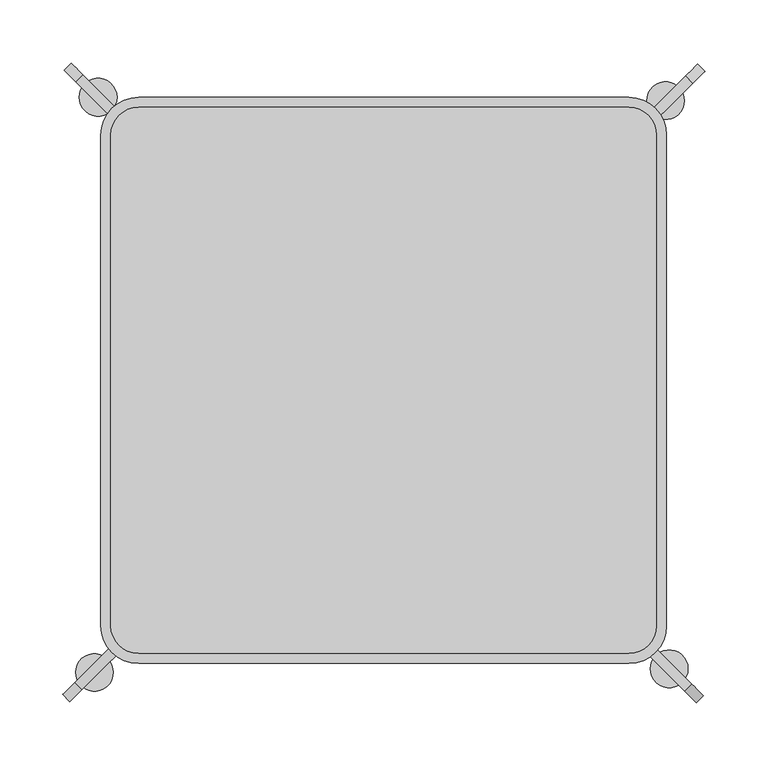
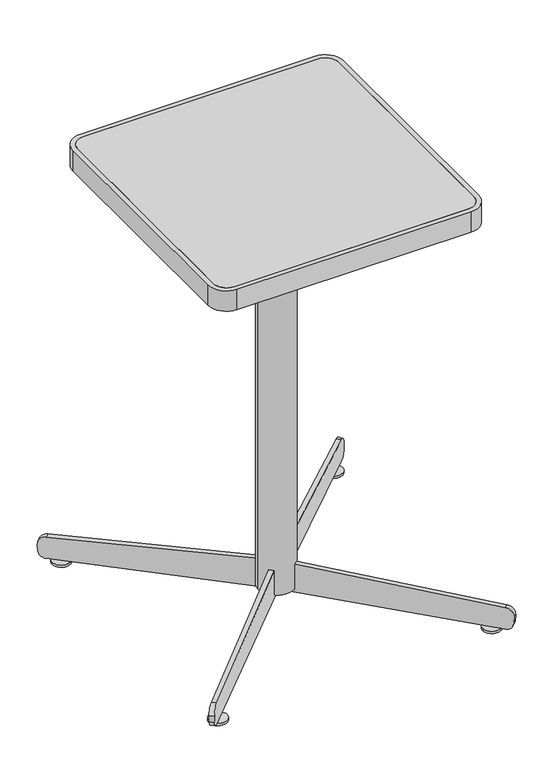
"""IFC4 building model written with IfcOpenShell, lengths in millimetres: furniture geometry."""

import ifcopenshell
import ifcopenshell.guid

model = None  # the IFC model being written
_history = None  # IfcOwnerHistory: only IFC2X3 demands one
_inside = {}  # id of a spatial element -> (the spatial element, [elements in it])
_under = {}  # id of a project, library or spatial element -> (it, [spatial elements below it])
_declared = {}  # id of a project -> (the project, [libraries it declares])
_typed = {}  # id of a type object -> (the type object, [elements of that type])
_made_of = {}  # id of a material, layer set ... -> (it, [elements and type objects made of it])


def new_model(schema):
    """Start an empty IFC model of exactly this schema.

    Asked for "IFC4X3", IfcOpenShell would pick the latest addendum, in which some entities
    have other attributes; the version numbers below select the first issue.
    IFC2X3 requires an IfcOwnerHistory on every rooted entity: one is made here for all.
    """
    global model, _history
    if schema == "IFC4X3":
        model = ifcopenshell.file(schema_version=(4, 3, 0, 0))
    else:
        model = ifcopenshell.file(schema=schema)
    _inside.clear()
    _under.clear()
    _declared.clear()
    _typed.clear()
    _made_of.clear()
    _history = None
    if model.schema == "IFC2X3":
        org = make("IfcOrganization", Name="unknown")
        user = make(
            "IfcPersonAndOrganization",
            ThePerson=make("IfcPerson", FamilyName="unknown"),
            TheOrganization=org,
        )
        app = make(
            "IfcApplication",
            ApplicationDeveloper=org,
            Version="unknown",
            ApplicationFullName="unknown",
            ApplicationIdentifier="unknown",
        )
        _history = make(
            "IfcOwnerHistory",
            OwningUser=user,
            OwningApplication=app,
            ChangeAction="ADDED",
            CreationDate=0,
        )
    return model


def make(cls, **values):
    """One entity of the class cls with the attributes given. An attribute that is None is left unset."""
    return model.create_entity(
        cls, **{name: value for name, value in values.items() if value is not None}
    )


def rooted(cls, **values):
    """An entity with a GlobalId (a new one), such as an element, a storey or a relation."""
    return make(cls, GlobalId=ifcopenshell.guid.new(), OwnerHistory=_history, **values)


def si_unit(unit_type, name, prefix=None):
    """IfcSIUnit, for example si_unit("LENGTHUNIT", "METRE", prefix="MILLI")."""
    return make("IfcSIUnit", UnitType=unit_type, Prefix=prefix, Name=name)


def assignment(units):
    """IfcUnitAssignment: the units of a project."""
    return None if units is None else make("IfcUnitAssignment", Units=units)


def point(xyz):
    """IfcCartesianPoint."""
    return None if xyz is None else make("IfcCartesianPoint", Coordinates=xyz)


def direction(xyz):
    """IfcDirection."""
    return None if xyz is None else make("IfcDirection", DirectionRatios=xyz)


def frame(location, z_axis=None, x_axis=None):
    """IfcAxis2Placement3D, a coordinate frame: its origin and axes. An axis left out is left unset."""
    return make(
        "IfcAxis2Placement3D",
        Location=point(location),
        Axis=direction(z_axis),
        RefDirection=direction(x_axis),
    )


def frame_2d(location, x_axis=None):
    """IfcAxis2Placement2D, a coordinate frame in the plane: its origin and x axis."""
    return make(
        "IfcAxis2Placement2D", Location=point(location), RefDirection=direction(x_axis)
    )


def origin():
    """The frame at (0, 0, 0) with its axes left unset."""
    return frame((0.0, 0.0, 0.0))


def origin_with_axes():
    """The frame at (0, 0, 0) with the z axis (0, 0, 1) and the x axis (1, 0, 0) written out."""
    return frame((0.0, 0.0, 0.0), z_axis=(0.0, 0.0, 1.0), x_axis=(1.0, 0.0, 0.0))


def place(relative_to, where):
    """IfcLocalPlacement: puts the frame where relative to a parent placement (None: the world)."""
    return make(
        "IfcLocalPlacement", PlacementRelTo=relative_to, RelativePlacement=where
    )


def context(
    kind, dimensions, precision=None, world=None, true_north=None, identifier=None
):
    """IfcGeometricRepresentationContext, for example the 3D "Model" context."""
    return make(
        "IfcGeometricRepresentationContext",
        ContextIdentifier=identifier,
        ContextType=kind,
        CoordinateSpaceDimension=dimensions,
        Precision=precision,
        WorldCoordinateSystem=world,
        TrueNorth=true_north,
    )


def project(units=None, contexts=None):
    """IfcProject with its units and contexts."""
    return rooted(
        "IfcProject",
        Name="project",
        RepresentationContexts=contexts,
        UnitsInContext=assignment(units),
    )


def spatial(cls, under=None, at=None, **own):
    """A site, building, storey or space (cls), placed at a placement, below another one or the project."""
    s = rooted(cls, ObjectPlacement=at, **own)
    if under is not None:
        _under.setdefault(under.id(), (under, []))[1].append(s)
    return s


def polyline(points):
    """IfcPolyline through the points."""
    return make("IfcPolyline", Points=[point(p) for p in points])


def circle_curve(where, radius):
    """IfcCircle in the frame where."""
    return make("IfcCircle", Position=where, Radius=radius)


def trimmed(basis, trim1, trim2, sense, master):
    """IfcTrimmedCurve: the piece of a basis curve between two trims."""
    return make(
        "IfcTrimmedCurve",
        BasisCurve=basis,
        Trim1=trim1,
        Trim2=trim2,
        SenseAgreement=sense,
        MasterRepresentation=master,
    )


def segment(curve, same_sense, transition):
    """IfcCompositeCurveSegment."""
    return make(
        "IfcCompositeCurveSegment",
        Transition=transition,
        SameSense=same_sense,
        ParentCurve=curve,
    )


def composite_curve(segments, self_intersect=None):
    """IfcCompositeCurve: segments joined end to end."""
    return make("IfcCompositeCurve", Segments=segments, SelfIntersect=self_intersect)


def outline(outer, holes=None, kind="AREA"):
    """IfcArbitraryClosedProfileDef: a profile drawn as a closed curve; with holes, ...WithVoids."""
    if holes is None:
        return make("IfcArbitraryClosedProfileDef", ProfileType=kind, OuterCurve=outer)
    return make(
        "IfcArbitraryProfileDefWithVoids",
        ProfileType=kind,
        OuterCurve=outer,
        InnerCurves=holes,
    )


def extrude(swept, where, along, depth):
    """IfcExtrudedAreaSolid: the profile swept, set in the frame where, extruded along a direction by depth."""
    return make(
        "IfcExtrudedAreaSolid",
        SweptArea=swept,
        Position=where,
        ExtrudedDirection=direction(along),
        Depth=depth,
    )


def shape(context_of_items, identifier, shape_type, items):
    """IfcShapeRepresentation: the items that make up one representation, for example the "Body"."""
    return make(
        "IfcShapeRepresentation",
        ContextOfItems=context_of_items,
        RepresentationIdentifier=identifier,
        RepresentationType=shape_type,
        Items=items,
    )


def source(mapping_origin, context_of_items, identifier, shape_type, items):
    """IfcRepresentationMap: a shape defined once, which mapped items show again and again."""
    return make(
        "IfcRepresentationMap",
        MappingOrigin=mapping_origin,
        MappedRepresentation=shape(context_of_items, identifier, shape_type, items),
    )


def transform(
    local_origin,
    x_axis=None,
    y_axis=None,
    z_axis=None,
    scale=None,
    scale2=None,
    scale3=None,
    uniform=True,
):
    """IfcCartesianTransformationOperator3D, or its non-uniform kind. x_axis, y_axis, z_axis: its Axis1, 2, 3."""
    if uniform:
        return make(
            "IfcCartesianTransformationOperator3D",
            Axis1=direction(x_axis),
            Axis2=direction(y_axis),
            LocalOrigin=point(local_origin),
            Scale=scale,
            Axis3=direction(z_axis),
        )
    return make(
        "IfcCartesianTransformationOperator3DnonUniform",
        Axis1=direction(x_axis),
        Axis2=direction(y_axis),
        LocalOrigin=point(local_origin),
        Scale=scale,
        Axis3=direction(z_axis),
        Scale2=scale2,
        Scale3=scale3,
    )


def mapped(mapping_source, mapping_target):
    """IfcMappedItem: shows the shape of a source again, moved by a transform."""
    return make(
        "IfcMappedItem", MappingSource=mapping_source, MappingTarget=mapping_target
    )


def made_of(thing, what):
    """Note that an element or type object is made of a material, layer set ...; save() writes the relation."""
    if what is not None:
        _made_of.setdefault(what.id(), (what, []))[1].append(thing)
    return thing


def element(
    cls,
    number,
    at=None,
    inside=None,
    cuts=None,
    type_object=None,
    material=None,
    context=None,
    identifier="Body",
    shape_type=None,
    held_by="IfcProductDefinitionShape",
    body=None,
    shapes=None,
    **own,
):
    """One element of the class cls, such as IfcWall. Its Tag is "e" and its number.

    at: its placement. inside: the storey or other place that contains it. cuts: it is an
    opening in that element (IfcRelVoidsElement). A single representation is given by context,
    identifier, shape_type and body (its items); several are given by shapes. held_by: the class
    of the entity that holds the representations. save() writes the other relations.
    """
    e = rooted(cls, Tag="e%d" % number, ObjectPlacement=at, **own)
    if body is not None:
        shapes = [shape(context, identifier, shape_type, body)]
    if shapes is not None:
        e.Representation = make(held_by, Representations=shapes)
    if inside is not None:
        _inside.setdefault(inside.id(), (inside, []))[1].append(e)
    if cuts is not None:
        rooted(
            "IfcRelVoidsElement", RelatingBuildingElement=cuts, RelatedOpeningElement=e
        )
    if type_object is not None:
        _typed.setdefault(type_object.id(), (type_object, []))[1].append(e)
    return made_of(e, material)


def aggregate(whole, parts):
    """IfcRelAggregates: a whole, such as a stair, and the parts it consists of."""
    return rooted("IfcRelAggregates", RelatingObject=whole, RelatedObjects=parts)


def save(model, path):
    """Write the relations noted so far, then the file.

    IfcRelAggregates (storeys below a building ...), IfcRelContainedInSpatialStructure (elements
    in a storey), IfcRelDefinesByType, IfcRelAssociatesMaterial and IfcRelDeclares: one each for
    every whole, place, type object, material and project.
    """
    for whole, parts in _under.values():
        aggregate(whole, parts)
    for where, things in _inside.values():
        rooted(
            "IfcRelContainedInSpatialStructure",
            RelatedElements=things,
            RelatingStructure=where,
        )
    for kind, things in _typed.values():
        rooted("IfcRelDefinesByType", RelatedObjects=things, RelatingType=kind)
    for what, things in _made_of.values():
        rooted("IfcRelAssociatesMaterial", RelatedObjects=things, RelatingMaterial=what)
    for by, libraries in _declared.values():
        rooted("IfcRelDeclares", RelatingContext=by, RelatedDefinitions=libraries)
    model.write(path)


def furniture_9334c7c8(model_context):
    return source(origin(), model_context, "Body", "SweptSolid", [
        extrude(outline(composite_curve([segment(trimmed(circle_curve(frame_2d((-195.0, 195.0)), 22.0), [point((-217.0, 195.0))], [point((-195.0, 217.0))], False, "CARTESIAN"), True, "CONTINUOUS"), segment(polyline([(-195.0, 217.0), (195.0, 217.0)]), True, "CONTINUOUS"), segment(trimmed(circle_curve(frame_2d((195.0, 195.0)), 22.0), [point((195.0, 217.0))], [point((217.0, 195.0))], False, "CARTESIAN"), True, "CONTINUOUS"), segment(polyline([(217.0, 195.0), (217.0, -195.0)]), True, "CONTINUOUS"), segment(trimmed(circle_curve(frame_2d((195.0, -195.0)), 22.0), [point((217.0, -195.0))], [point((195.0, -217.0))], False, "CARTESIAN"), True, "CONTINUOUS"), segment(polyline([(195.0, -217.0), (-195.0, -217.0)]), True, "CONTINUOUS"), segment(trimmed(circle_curve(frame_2d((-195.0, -195.0)), 22.0), [point((-195.0, -217.0))], [point((-217.0, -195.0))], False, "CARTESIAN"), True, "CONTINUOUS"), segment(polyline([(-217.0, -195.0), (-217.0, 195.0)]), True, "CONTINUOUS")], self_intersect=False)), frame((0.0, 0.0, 737.0), z_axis=(0.0, 0.0, 1.0), x_axis=(1.0, 0.0, 0.0)), (0.0, 0.0, 1.0), 3.0),
        extrude(outline(polyline([(-217.0, 55.0), (217.0, 55.0), (217.0, -55.0), (-217.0, -55.0), (-217.0, 55.0)])), frame((0.0, 0.0, 712.0), z_axis=(0.0, 0.0, 1.0), x_axis=(1.0, 0.0, 0.0)), (0.0, 0.0, 1.0), 8.0),
        extrude(outline(composite_curve([segment(polyline([(-225.0, -195.0), (-225.0, 195.0)]), True, "CONTINUOUS"), segment(trimmed(circle_curve(frame_2d((-195.0, 195.0)), 30.0), [point((-225.0, 195.0))], [point((-195.0, 225.0))], False, "CARTESIAN"), True, "CONTINUOUS"), segment(polyline([(-195.0, 225.0), (195.0, 225.0)]), True, "CONTINUOUS"), segment(trimmed(circle_curve(frame_2d((195.0, 195.0)), 30.0), [point((195.0, 225.0))], [point((225.0, 195.0))], False, "CARTESIAN"), True, "CONTINUOUS"), segment(polyline([(225.0, 195.0), (225.0, -195.0)]), True, "CONTINUOUS"), segment(trimmed(circle_curve(frame_2d((195.0, -195.0)), 30.0), [point((225.0, -195.0))], [point((195.0, -225.0))], False, "CARTESIAN"), True, "CONTINUOUS"), segment(polyline([(195.0, -225.0), (-195.0, -225.0)]), True, "CONTINUOUS"), segment(trimmed(circle_curve(frame_2d((-195.0, -195.0)), 30.0), [point((-195.0, -225.0))], [point((-225.0, -195.0))], False, "CARTESIAN"), True, "CONTINUOUS")], self_intersect=False), holes=[composite_curve([segment(polyline([(-217.0, 195.0), (-217.0, -195.0)]), True, "CONTINUOUS"), segment(trimmed(circle_curve(frame_2d((-195.0, -195.0)), 22.0), [point((-217.0, -195.0))], [point((-195.0, -217.0))], True, "CARTESIAN"), True, "CONTINUOUS"), segment(polyline([(-195.0, -217.0), (195.0, -217.0)]), True, "CONTINUOUS"), segment(trimmed(circle_curve(frame_2d((195.0, -195.0)), 22.0), [point((195.0, -217.0))], [point((217.0, -195.0))], True, "CARTESIAN"), True, "CONTINUOUS"), segment(polyline([(217.0, -195.0), (217.0, 195.0)]), True, "CONTINUOUS"), segment(trimmed(circle_curve(frame_2d((195.0, 195.0)), 22.0), [point((217.0, 195.0))], [point((195.0, 217.0))], True, "CARTESIAN"), True, "CONTINUOUS"), segment(polyline([(195.0, 217.0), (-195.0, 217.0)]), True, "CONTINUOUS"), segment(trimmed(circle_curve(frame_2d((-195.0, 195.0)), 22.0), [point((-195.0, 217.0))], [point((-217.0, 195.0))], True, "CARTESIAN"), True, "CONTINUOUS")], self_intersect=False)]), frame((0.0, 0.0, 704.0), z_axis=(0.0, 0.0, 1.0), x_axis=(1.0, 0.0, 0.0)), (0.0, 0.0, 1.0), 36.0),
        extrude(outline(composite_curve([segment(trimmed(circle_curve(frame_2d((-230.0247397, -232.0465142)), 15.0), [point((-245.0247397, -232.0465142))], [point((-215.0247397, -232.0465142))], False, "CARTESIAN"), True, "CONTINUOUS"), segment(trimmed(circle_curve(frame_2d((-230.0247397, -232.0465142)), 15.0), [point((-215.0247397, -232.0465142))], [point((-245.0247397, -232.0465142))], False, "CARTESIAN"), True, "CONTINUOUS")], self_intersect=False)), origin_with_axes(), (0.0, 0.0, 1.0), 4.0),
        extrude(outline(composite_curve([segment(trimmed(circle_curve(frame_2d((227.0933375, -229.1151121)), 15.0), [point((242.0933375, -229.1151121))], [point((212.0933375, -229.1151121))], False, "CARTESIAN"), True, "CONTINUOUS"), segment(trimmed(circle_curve(frame_2d((227.0933375, -229.1151121)), 15.0), [point((212.0933375, -229.1151121))], [point((242.0933375, -229.1151121))], False, "CARTESIAN"), True, "CONTINUOUS")], self_intersect=False)), origin_with_axes(), (0.0, 0.0, 1.0), 4.0),
        extrude(outline(composite_curve([segment(trimmed(circle_curve(frame_2d((-227.102909, 225.1953251)), 15.0), [point((-242.102909, 225.1953251))], [point((-212.102909, 225.1953251))], False, "CARTESIAN"), True, "CONTINUOUS"), segment(trimmed(circle_curve(frame_2d((-227.102909, 225.1953251)), 15.0), [point((-212.102909, 225.1953251))], [point((-242.102909, 225.1953251))], False, "CARTESIAN"), True, "CONTINUOUS")], self_intersect=False)), origin_with_axes(), (0.0, 0.0, 1.0), 4.0),
        extrude(outline(composite_curve([segment(trimmed(circle_curve(frame_2d((224.2722597, 222.4654286)), 15.0), [point((239.2722597, 222.4654286))], [point((209.2722597, 222.4654286))], False, "CARTESIAN"), True, "CONTINUOUS"), segment(trimmed(circle_curve(frame_2d((224.2722597, 222.4654286)), 15.0), [point((209.2722597, 222.4654286))], [point((239.2722597, 222.4654286))], False, "CARTESIAN"), True, "CONTINUOUS")], self_intersect=False)), origin_with_axes(), (0.0, 0.0, 1.0), 4.0),
        extrude(outline(composite_curve([segment(trimmed(circle_curve(frame_2d((1e-07, -14.0)), 14.0), [point((-14.0, -14.0))], [point((0.0, 0.0))], False, "CARTESIAN"), True, "CONTINUOUS"), segment(polyline([(0.0, 0.0), (11.6300482, -1e-07)]), True, "CONTINUOUS"), segment(trimmed(circle_curve(frame_2d((11.6300482, -12.0)), 12.0), [point((11.6300482, -1e-07))], [point((23.6063713, -11.2465512))], False, "CARTESIAN"), True, "CONTINUOUS"), segment(polyline([(23.6063713, -11.2465512), (36.1524959, -354.012277), (66.6631051, -695.6478295)]), True, "CONTINUOUS"), segment(trimmed(circle_curve(frame_2d((54.686782, -696.4012784)), 12.0), [point((66.6631051, -695.6478295))], [point((56.1907064, -708.3066641))], False, "CARTESIAN"), True, "CONTINUOUS"), segment(polyline([(56.1907064, -708.3066641), (44.6523556, -709.7642237)]), True, "CONTINUOUS"), segment(trimmed(circle_curve(frame_2d((42.8977771, -695.8746069)), 14.0), [point((44.6523556, -709.7642237))], [point((29.0081602, -697.6291855))], False, "CARTESIAN"), True, "CONTINUOUS"), segment(polyline([(29.0081602, -697.6291855), (-13.4977007, -361.1437549), (11.5113442, -359.5703975), (11.0090449, -351.5861821), (-14.0, -353.1595395), (-14.0, -14.0)]), True, "CONTINUOUS")], self_intersect=False)), frame((-249.5247876, -255.1891984, 26.8536524), z_axis=(-0.7043233319140294, 0.7098793165894609, 0.0), x_axis=(0.044571479462634185, 0.04422263360803813, -0.9980269244340462)), (0.0, 0.0, 1.0), 8.0),
        extrude(outline(composite_curve([segment(trimmed(circle_curve(frame_2d((1e-07, -14.0)), 14.0), [point((-14.0, -14.0))], [point((0.0, 0.0))], False, "CARTESIAN"), True, "CONTINUOUS"), segment(polyline([(0.0, 0.0), (11.6300482, 0.0)]), True, "CONTINUOUS"), segment(trimmed(circle_curve(frame_2d((11.6300482, -11.9999999)), 12.0), [point((11.6300482, 0.0))], [point((23.6063713, -11.2465511))], False, "CARTESIAN"), True, "CONTINUOUS"), segment(polyline([(23.6063713, -11.2465511), (36.1524959, -354.0122769), (66.6631051, -695.6478295)]), True, "CONTINUOUS"), segment(trimmed(circle_curve(frame_2d((54.686782, -696.4012783)), 12.0), [point((66.6631051, -695.6478295))], [point((56.1907064, -708.306664))], False, "CARTESIAN"), True, "CONTINUOUS"), segment(polyline([(56.1907064, -708.306664), (44.6523555, -709.7642236)]), True, "CONTINUOUS"), segment(trimmed(circle_curve(frame_2d((42.897777, -695.8746068)), 14.0), [point((44.6523555, -709.7642236))], [point((29.0081602, -697.6291853))], False, "CARTESIAN"), True, "CONTINUOUS"), segment(polyline([(29.0081602, -697.6291853), (-13.4977007, -361.1437548), (11.5113442, -359.5703974), (11.0090449, -351.5861821), (-14.0, -353.1595395), (-14.0, -14.0)]), True, "CONTINUOUS")], self_intersect=False)), frame((-254.1846396, 246.7034412, 26.8536524), z_axis=(0.7071067811865476, 0.7071067811865476, 0.0), x_axis=(0.044397399162106346, -0.044397399162106346, -0.9980269244340462)), (0.0, 0.0, 1.0), 8.0),
        extrude(outline(composite_curve([segment(trimmed(circle_curve(frame_2d((0.6273705, -0.0376502)), 30.0), [point((-29.3726295, -0.0376502))], [point((30.6273705, -0.0376502))], False, "CARTESIAN"), True, "CONTINUOUS"), segment(trimmed(circle_curve(frame_2d((0.6273705, -0.0376502)), 30.0), [point((30.6273705, -0.0376502))], [point((-29.3726295, -0.0376502))], False, "CARTESIAN"), True, "CONTINUOUS")], self_intersect=False)), frame((0.0, 0.0, 18.4018537), z_axis=(0.0, 0.0, 1.0), x_axis=(1.0, 0.0, 0.0)), (0.0, 0.0, 1.0), 693.5981463),
    ])


if __name__ == "__main__":
    model = new_model("IFC4")
    model_context = context("Model", 3, world=origin())
    ifc_project = project(units=[si_unit("LENGTHUNIT", "METRE", prefix="MILLI")], contexts=[model_context])
    site = spatial("IfcSite", under=ifc_project)
    building = spatial("IfcBuilding", under=site)
    placement = place(None, origin())
    furniture_shape = furniture_9334c7c8(model_context)
    element("IfcFurniture", 1, at=placement, inside=building, context=model_context, shape_type="MappedRepresentation", body=[
        mapped(furniture_shape, transform((0.0, 0.0, 0.0), x_axis=(1.0, 0.0, 0.0), y_axis=(0.0, 1.0, 0.0), z_axis=(0.0, 0.0, 1.0))),
    ])
    save(model, "model.ifc")
